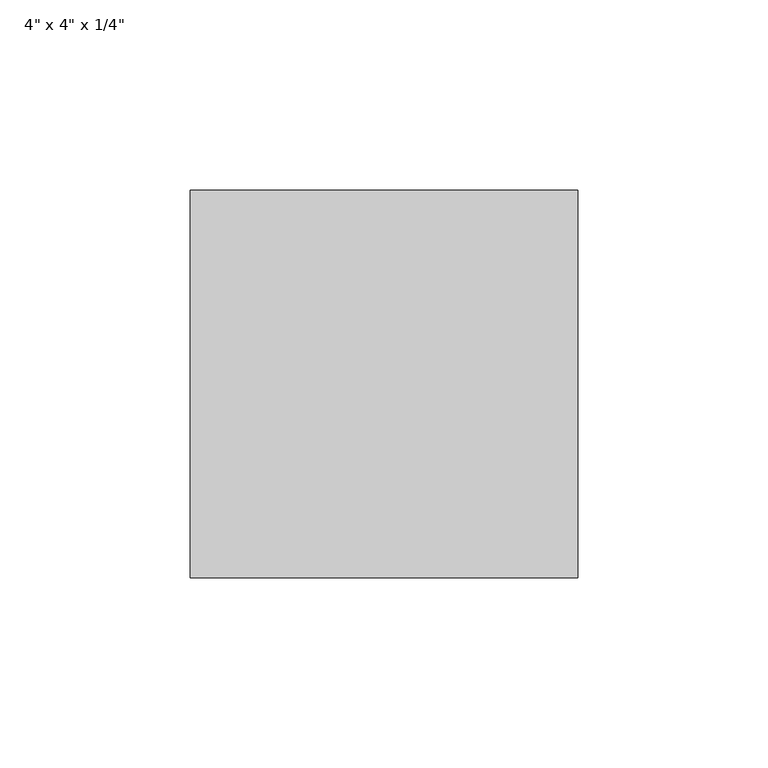
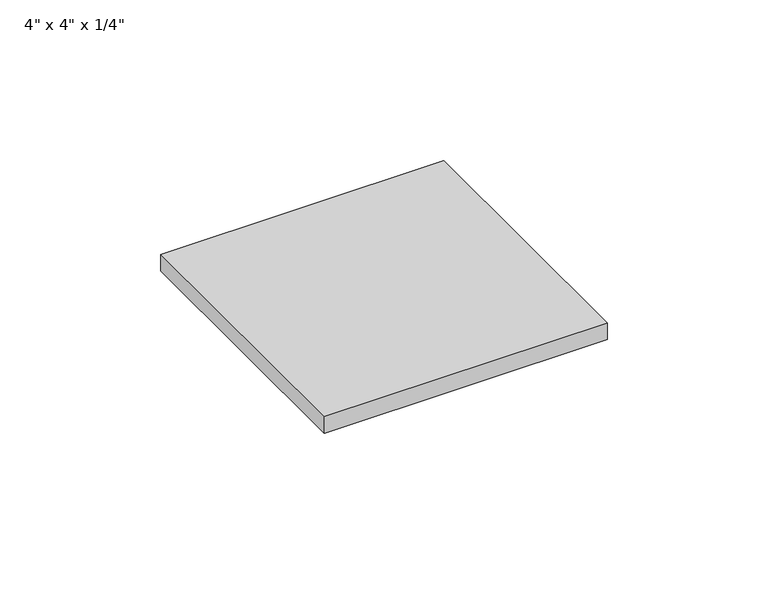
"""IFC4 building model written with IfcOpenShell, lengths in millimetres: proxy geometry."""

import ifcopenshell
import ifcopenshell.guid

model = None  # the IFC model being written
_history = None  # IfcOwnerHistory: only IFC2X3 demands one
_inside = {}  # id of a spatial element -> (the spatial element, [elements in it])
_under = {}  # id of a project, library or spatial element -> (it, [spatial elements below it])
_declared = {}  # id of a project -> (the project, [libraries it declares])
_typed = {}  # id of a type object -> (the type object, [elements of that type])
_made_of = {}  # id of a material, layer set ... -> (it, [elements and type objects made of it])


def new_model(schema):
    """Start an empty IFC model of exactly this schema.

    Asked for "IFC4X3", IfcOpenShell would pick the latest addendum, in which some entities
    have other attributes; the version numbers below select the first issue.
    IFC2X3 requires an IfcOwnerHistory on every rooted entity: one is made here for all.
    """
    global model, _history
    if schema == "IFC4X3":
        model = ifcopenshell.file(schema_version=(4, 3, 0, 0))
    else:
        model = ifcopenshell.file(schema=schema)
    _inside.clear()
    _under.clear()
    _declared.clear()
    _typed.clear()
    _made_of.clear()
    _history = None
    if model.schema == "IFC2X3":
        org = make("IfcOrganization", Name="unknown")
        user = make(
            "IfcPersonAndOrganization",
            ThePerson=make("IfcPerson", FamilyName="unknown"),
            TheOrganization=org,
        )
        app = make(
            "IfcApplication",
            ApplicationDeveloper=org,
            Version="unknown",
            ApplicationFullName="unknown",
            ApplicationIdentifier="unknown",
        )
        _history = make(
            "IfcOwnerHistory",
            OwningUser=user,
            OwningApplication=app,
            ChangeAction="ADDED",
            CreationDate=0,
        )
    return model


def make(cls, **values):
    """One entity of the class cls with the attributes given. An attribute that is None is left unset."""
    return model.create_entity(
        cls, **{name: value for name, value in values.items() if value is not None}
    )


def rooted(cls, **values):
    """An entity with a GlobalId (a new one), such as an element, a storey or a relation."""
    return make(cls, GlobalId=ifcopenshell.guid.new(), OwnerHistory=_history, **values)


def si_unit(unit_type, name, prefix=None):
    """IfcSIUnit, for example si_unit("LENGTHUNIT", "METRE", prefix="MILLI")."""
    return make("IfcSIUnit", UnitType=unit_type, Prefix=prefix, Name=name)


def assignment(units):
    """IfcUnitAssignment: the units of a project."""
    return None if units is None else make("IfcUnitAssignment", Units=units)


def point(xyz):
    """IfcCartesianPoint."""
    return None if xyz is None else make("IfcCartesianPoint", Coordinates=xyz)


def direction(xyz):
    """IfcDirection."""
    return None if xyz is None else make("IfcDirection", DirectionRatios=xyz)


def frame(location, z_axis=None, x_axis=None):
    """IfcAxis2Placement3D, a coordinate frame: its origin and axes. An axis left out is left unset."""
    return make(
        "IfcAxis2Placement3D",
        Location=point(location),
        Axis=direction(z_axis),
        RefDirection=direction(x_axis),
    )


def origin():
    """The frame at (0, 0, 0) with its axes left unset."""
    return frame((0.0, 0.0, 0.0))


def origin_with_axes():
    """The frame at (0, 0, 0) with the z axis (0, 0, 1) and the x axis (1, 0, 0) written out."""
    return frame((0.0, 0.0, 0.0), z_axis=(0.0, 0.0, 1.0), x_axis=(1.0, 0.0, 0.0))


def place(relative_to, where):
    """IfcLocalPlacement: puts the frame where relative to a parent placement (None: the world)."""
    return make(
        "IfcLocalPlacement", PlacementRelTo=relative_to, RelativePlacement=where
    )


def context(
    kind, dimensions, precision=None, world=None, true_north=None, identifier=None
):
    """IfcGeometricRepresentationContext, for example the 3D "Model" context."""
    return make(
        "IfcGeometricRepresentationContext",
        ContextIdentifier=identifier,
        ContextType=kind,
        CoordinateSpaceDimension=dimensions,
        Precision=precision,
        WorldCoordinateSystem=world,
        TrueNorth=true_north,
    )


def project(units=None, contexts=None):
    """IfcProject with its units and contexts."""
    return rooted(
        "IfcProject",
        Name="project",
        RepresentationContexts=contexts,
        UnitsInContext=assignment(units),
    )


def spatial(cls, under=None, at=None, **own):
    """A site, building, storey or space (cls), placed at a placement, below another one or the project."""
    s = rooted(cls, ObjectPlacement=at, **own)
    if under is not None:
        _under.setdefault(under.id(), (under, []))[1].append(s)
    return s


def polyline(points):
    """IfcPolyline through the points."""
    return make("IfcPolyline", Points=[point(p) for p in points])


def outline(outer, holes=None, kind="AREA"):
    """IfcArbitraryClosedProfileDef: a profile drawn as a closed curve; with holes, ...WithVoids."""
    if holes is None:
        return make("IfcArbitraryClosedProfileDef", ProfileType=kind, OuterCurve=outer)
    return make(
        "IfcArbitraryProfileDefWithVoids",
        ProfileType=kind,
        OuterCurve=outer,
        InnerCurves=holes,
    )


def extrude(swept, where, along, depth):
    """IfcExtrudedAreaSolid: the profile swept, set in the frame where, extruded along a direction by depth."""
    return make(
        "IfcExtrudedAreaSolid",
        SweptArea=swept,
        Position=where,
        ExtrudedDirection=direction(along),
        Depth=depth,
    )


def shape(context_of_items, identifier, shape_type, items):
    """IfcShapeRepresentation: the items that make up one representation, for example the "Body"."""
    return make(
        "IfcShapeRepresentation",
        ContextOfItems=context_of_items,
        RepresentationIdentifier=identifier,
        RepresentationType=shape_type,
        Items=items,
    )


def source(mapping_origin, context_of_items, identifier, shape_type, items):
    """IfcRepresentationMap: a shape defined once, which mapped items show again and again."""
    return make(
        "IfcRepresentationMap",
        MappingOrigin=mapping_origin,
        MappedRepresentation=shape(context_of_items, identifier, shape_type, items),
    )


def transform(
    local_origin,
    x_axis=None,
    y_axis=None,
    z_axis=None,
    scale=None,
    scale2=None,
    scale3=None,
    uniform=True,
):
    """IfcCartesianTransformationOperator3D, or its non-uniform kind. x_axis, y_axis, z_axis: its Axis1, 2, 3."""
    if uniform:
        return make(
            "IfcCartesianTransformationOperator3D",
            Axis1=direction(x_axis),
            Axis2=direction(y_axis),
            LocalOrigin=point(local_origin),
            Scale=scale,
            Axis3=direction(z_axis),
        )
    return make(
        "IfcCartesianTransformationOperator3DnonUniform",
        Axis1=direction(x_axis),
        Axis2=direction(y_axis),
        LocalOrigin=point(local_origin),
        Scale=scale,
        Axis3=direction(z_axis),
        Scale2=scale2,
        Scale3=scale3,
    )


def mapped(mapping_source, mapping_target):
    """IfcMappedItem: shows the shape of a source again, moved by a transform."""
    return make(
        "IfcMappedItem", MappingSource=mapping_source, MappingTarget=mapping_target
    )


def made_of(thing, what):
    """Note that an element or type object is made of a material, layer set ...; save() writes the relation."""
    if what is not None:
        _made_of.setdefault(what.id(), (what, []))[1].append(thing)
    return thing


def element(
    cls,
    number,
    at=None,
    inside=None,
    cuts=None,
    type_object=None,
    material=None,
    context=None,
    identifier="Body",
    shape_type=None,
    held_by="IfcProductDefinitionShape",
    body=None,
    shapes=None,
    **own,
):
    """One element of the class cls, such as IfcWall. Its Tag is "e" and its number.

    at: its placement. inside: the storey or other place that contains it. cuts: it is an
    opening in that element (IfcRelVoidsElement). A single representation is given by context,
    identifier, shape_type and body (its items); several are given by shapes. held_by: the class
    of the entity that holds the representations. save() writes the other relations.
    """
    e = rooted(cls, Tag="e%d" % number, ObjectPlacement=at, **own)
    if body is not None:
        shapes = [shape(context, identifier, shape_type, body)]
    if shapes is not None:
        e.Representation = make(held_by, Representations=shapes)
    if inside is not None:
        _inside.setdefault(inside.id(), (inside, []))[1].append(e)
    if cuts is not None:
        rooted(
            "IfcRelVoidsElement", RelatingBuildingElement=cuts, RelatedOpeningElement=e
        )
    if type_object is not None:
        _typed.setdefault(type_object.id(), (type_object, []))[1].append(e)
    return made_of(e, material)


def aggregate(whole, parts):
    """IfcRelAggregates: a whole, such as a stair, and the parts it consists of."""
    return rooted("IfcRelAggregates", RelatingObject=whole, RelatedObjects=parts)


def save(model, path):
    """Write the relations noted so far, then the file.

    IfcRelAggregates (storeys below a building ...), IfcRelContainedInSpatialStructure (elements
    in a storey), IfcRelDefinesByType, IfcRelAssociatesMaterial and IfcRelDeclares: one each for
    every whole, place, type object, material and project.
    """
    for whole, parts in _under.values():
        aggregate(whole, parts)
    for where, things in _inside.values():
        rooted(
            "IfcRelContainedInSpatialStructure",
            RelatedElements=things,
            RelatingStructure=where,
        )
    for kind, things in _typed.values():
        rooted("IfcRelDefinesByType", RelatedObjects=things, RelatingType=kind)
    for what, things in _made_of.values():
        rooted("IfcRelAssociatesMaterial", RelatedObjects=things, RelatingMaterial=what)
    for by, libraries in _declared.values():
        rooted("IfcRelDeclares", RelatingContext=by, RelatedDefinitions=libraries)
    model.write(path)


def proxy_120dcf4c(model_context):
    return source(origin(), model_context, "Body", "SweptSolid", [
        extrude(outline(polyline([(50.8, -50.8), (-50.8, -50.8), (-50.8, 50.8), (50.8, 50.8), (50.8, -50.8)])), origin_with_axes(), (0.0, 0.0, 1.0), 6.35),
    ])


if __name__ == "__main__":
    model = new_model("IFC4")
    model_context = context("Model", 3, world=origin())
    ifc_project = project(units=[si_unit("LENGTHUNIT", "METRE", prefix="MILLI")], contexts=[model_context])
    site = spatial("IfcSite", under=ifc_project)
    building = spatial("IfcBuilding", under=site)
    placement = place(None, origin())
    proxy_shape = proxy_120dcf4c(model_context)
    element("IfcBuildingElementProxy", 1, Name="4\" x 4\" x 1/4\"", ObjectType="4\" x 4\" x 1/4\"", at=placement, inside=building, context=model_context, shape_type="MappedRepresentation", body=[
        mapped(proxy_shape, transform((0.0, 0.0, 0.0), x_axis=(1.0, 0.0, 0.0), y_axis=(0.0, 1.0, 0.0), z_axis=(0.0, 0.0, 1.0))),
    ])
    save(model, "model.ifc")
